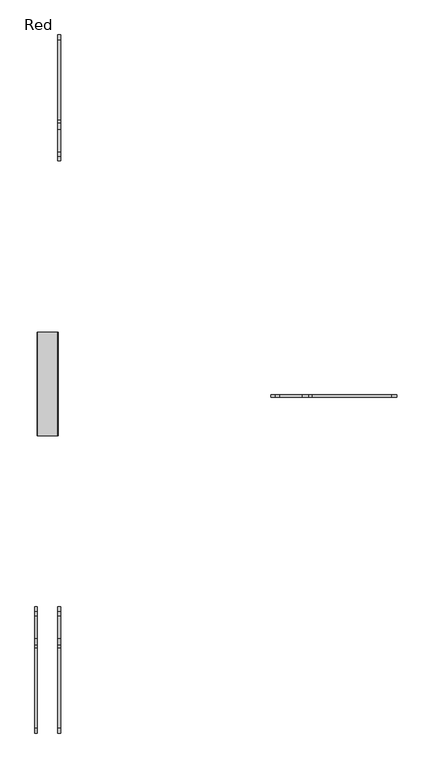
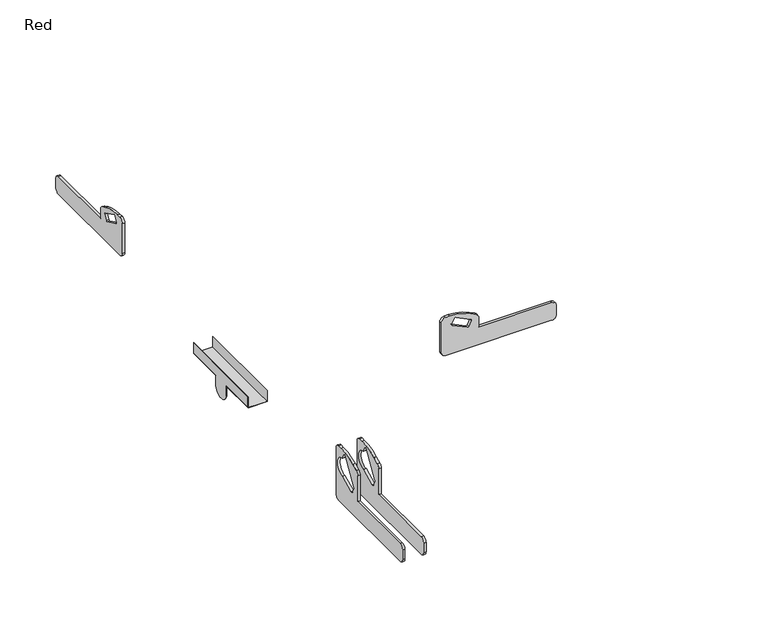
"""IFC4 building model written with IfcOpenShell, lengths in millimetres: furniture geometry, Red."""

from ifc_helpers import new_model, si_unit, point, frame, frame_2d, origin, place, context, project, spatial, polyline, circle_curve, trimmed, segment, composite_curve, outline, extrude, source, transform, mapped, element, save
from ifc_brep_helpers import plane_surface, cylinder_surface, advanced_brep


def red_224c0ef7(model_context):
    return source(origin(), model_context, "Body", "SolidModel", [
        extrude(outline(composite_curve([segment(polyline([(-563.0, 0.0), (-21.9999999, 0.0)]), True, "CONTINUOUS"), segment(trimmed(circle_curve(frame_2d((-21.9999999, -22.0)), 22.0), [point((-21.9999999, 0.0))], [point((0.0, -22.0))], False, "CARTESIAN"), True, "CONTINUOUS"), segment(polyline([(0.0, -22.0), (0.0, -73.0)]), True, "CONTINUOUS"), segment(trimmed(circle_curve(frame_2d((-21.9999999, -73.0)), 22.0), [point((0.0, -73.0))], [point((-21.9999999, -95.0))], False, "CARTESIAN"), True, "CONTINUOUS"), segment(polyline([(-21.9999999, -95.0), (-394.9999999, -95.0), (-394.9999999, -146.2528743)]), True, "CONTINUOUS"), segment(trimmed(circle_curve(frame_2d((-416.9999999, -146.2528743)), 22.0), [point((-394.9999999, -146.2528743))], [point((-407.3558347, -166.0263433))], False, "CARTESIAN"), True, "CONTINUOUS"), segment(polyline([(-407.3558347, -166.0263433), (-437.9242629, -180.9355618)]), True, "CONTINUOUS"), segment(trimmed(circle_curve(frame_2d((-542.1587961, 32.7769022)), 237.7769022), [point((-437.9242629, -180.9355618))], [point((-542.1587961, -205.0))], False, "CARTESIAN"), True, "CONTINUOUS"), segment(polyline([(-542.1587961, -205.0), (-563.0, -205.0)]), True, "CONTINUOUS"), segment(trimmed(circle_curve(frame_2d((-563.0, -183.0)), 22.0), [point((-563.0, -205.0))], [point((-585.0, -183.0))], False, "CARTESIAN"), True, "CONTINUOUS"), segment(polyline([(-585.0, -183.0), (-585.0, -22.0)]), True, "CONTINUOUS"), segment(trimmed(circle_curve(frame_2d((-563.0, -22.0)), 22.0), [point((-585.0, -22.0))], [point((-563.0, 0.0))], False, "CARTESIAN"), True, "CONTINUOUS")], self_intersect=False), holes=[composite_curve([segment(trimmed(circle_curve(frame_2d((-449.9611026, -117.464969)), 5.0), [point((-445.4671324, -115.2731132))], [point((-452.1529583, -112.9709987))], True, "CARTESIAN"), True, "CONTINUOUS"), segment(polyline([(-452.1529583, -112.9709987), (-528.5504522, -150.2325462)]), True, "CONTINUOUS"), segment(trimmed(circle_curve(frame_2d((-526.3585965, -154.7265164)), 5.0), [point((-528.5504522, -150.2325462))], [point((-530.8525667, -156.9183722))], True, "CARTESIAN"), True, "CONTINUOUS"), segment(polyline([(-530.8525667, -156.9183722), (-517.7014323, -183.8821936)]), True, "CONTINUOUS"), segment(trimmed(circle_curve(frame_2d((-513.2074621, -181.6903378)), 5.0), [point((-517.7014323, -183.8821936))], [point((-511.0156064, -186.1843081))], True, "CARTESIAN"), True, "CONTINUOUS"), segment(polyline([(-511.0156064, -186.1843081), (-434.6181125, -148.9227606)]), True, "CONTINUOUS"), segment(trimmed(circle_curve(frame_2d((-436.8099682, -144.4287903)), 5.0), [point((-434.6181125, -148.9227606))], [point((-432.315998, -142.2369346))], True, "CARTESIAN"), True, "CONTINUOUS"), segment(polyline([(-432.315998, -142.2369346), (-445.4671324, -115.2731132)]), True, "CONTINUOUS")], self_intersect=False)]), frame((2217.3022578, 882.8313341, 540.0), z_axis=(-4.035257397550418e-05, 0.9999999991858349, 0.0), x_axis=(0.9999999991858349, 4.035257397550418e-05, 0.0)), (0.0, 0.0, 1.0), 12.0),
        extrude(outline(composite_curve([segment(polyline([(-111.7787309, 755.0), (-652.7787309, 755.0)]), True, "CONTINUOUS"), segment(trimmed(circle_curve(frame_2d((-652.7787309, 777.0)), 22.0), [point((-652.7787309, 755.0))], [point((-674.7787309, 777.0))], False, "CARTESIAN"), True, "CONTINUOUS"), segment(polyline([(-674.7787309, 777.0), (-674.7787309, 828.0)]), True, "CONTINUOUS"), segment(trimmed(circle_curve(frame_2d((-652.7787309, 828.0)), 22.0), [point((-674.7787309, 828.0))], [point((-652.7787309, 850.0))], False, "CARTESIAN"), True, "CONTINUOUS"), segment(polyline([(-652.7787309, 850.0), (-279.7787309, 850.0), (-279.7787309, 989.1962282)]), True, "CONTINUOUS"), segment(trimmed(circle_curve(frame_2d((-257.7787309, 989.1962282)), 22.0), [point((-279.7787309, 989.1962282))], [point((-267.4228961, 1008.9696972))], False, "CARTESIAN"), True, "CONTINUOUS"), segment(polyline([(-267.4228961, 1008.9696972), (-236.854468, 1023.8789158)]), True, "CONTINUOUS"), segment(trimmed(circle_curve(frame_2d((-132.6199347, 810.1664518)), 237.7769022), [point((-236.854468, 1023.8789158))], [point((-132.6199347, 1047.943354))], False, "CARTESIAN"), True, "CONTINUOUS"), segment(polyline([(-132.6199347, 1047.943354), (-111.7787309, 1047.943354)]), True, "CONTINUOUS"), segment(trimmed(circle_curve(frame_2d((-111.7787309, 1025.943354)), 22.0), [point((-111.7787309, 1047.943354))], [point((-89.7787309, 1025.943354))], False, "CARTESIAN"), True, "CONTINUOUS"), segment(polyline([(-89.7787309, 1025.943354), (-89.7787309, 777.0)]), True, "CONTINUOUS"), segment(trimmed(circle_curve(frame_2d((-111.7787309, 777.0)), 22.0), [point((-89.7787309, 777.0))], [point((-111.7787309, 755.0))], False, "CARTESIAN"), True, "CONTINUOUS")], self_intersect=False), holes=[composite_curve([segment(trimmed(circle_curve(frame_2d((-224.8176283, 872.464969)), 5.0), [point((-229.3115985, 870.2731132))], [point((-222.6257725, 867.9709987))], True, "CARTESIAN"), True, "CONTINUOUS"), segment(polyline([(-222.6257725, 867.9709987), (-146.2282786, 905.2325462)]), True, "CONTINUOUS"), segment(trimmed(circle_curve(frame_2d((-148.4201343, 952.6284617)), 47.4465703), [point((-146.2282786, 905.2325462))], [point((-143.9261641, 999.8617261))], True, "CARTESIAN"), True, "CONTINUOUS"), segment(polyline([(-143.9261641, 999.8617261), (-157.0772985, 1026.8255475)]), True, "CONTINUOUS"), segment(trimmed(circle_curve(frame_2d((-161.5712687, 1024.6336918)), 5.0), [point((-157.0772985, 1026.8255475))], [point((-163.7631245, 1029.127662))], True, "CARTESIAN"), True, "CONTINUOUS"), segment(polyline([(-163.7631245, 1029.127662), (-240.1606184, 903.9227606)]), True, "CONTINUOUS"), segment(trimmed(circle_curve(frame_2d((-237.9687627, 899.4287903)), 5.0), [point((-240.1606184, 903.9227606))], [point((-242.4627329, 897.2369346))], True, "CARTESIAN"), True, "CONTINUOUS"), segment(polyline([(-242.4627329, 897.2369346), (-229.3115985, 870.2731132)]), True, "CONTINUOUS")], self_intersect=False)]), frame((536.5, 0.0, 0.0), z_axis=(1.0, 0.0, 0.0), x_axis=(0.0, 1.0, 0.0)), (0.0, 0.0, 1.0), 12.0),
        extrude(outline(composite_curve([segment(polyline([(-111.7787309, 755.0), (-652.7787309, 755.0)]), True, "CONTINUOUS"), segment(trimmed(circle_curve(frame_2d((-652.7787309, 777.0)), 22.0), [point((-652.7787309, 755.0))], [point((-674.7787309, 777.0))], False, "CARTESIAN"), True, "CONTINUOUS"), segment(polyline([(-674.7787309, 777.0), (-674.7787309, 828.0)]), True, "CONTINUOUS"), segment(trimmed(circle_curve(frame_2d((-652.7787309, 828.0)), 22.0), [point((-674.7787309, 828.0))], [point((-652.7787309, 850.0))], False, "CARTESIAN"), True, "CONTINUOUS"), segment(polyline([(-652.7787309, 850.0), (-279.7787309, 850.0), (-279.7787309, 989.1962282)]), True, "CONTINUOUS"), segment(trimmed(circle_curve(frame_2d((-257.7787309, 989.1962282)), 22.0), [point((-279.7787309, 989.1962282))], [point((-267.4228961, 1008.9696972))], False, "CARTESIAN"), True, "CONTINUOUS"), segment(polyline([(-267.4228961, 1008.9696972), (-236.854468, 1023.8789158)]), True, "CONTINUOUS"), segment(trimmed(circle_curve(frame_2d((-132.6199347, 810.1664518)), 237.7769022), [point((-236.854468, 1023.8789158))], [point((-132.6199347, 1047.943354))], False, "CARTESIAN"), True, "CONTINUOUS"), segment(polyline([(-132.6199347, 1047.943354), (-111.7787309, 1047.943354)]), True, "CONTINUOUS"), segment(trimmed(circle_curve(frame_2d((-111.7787309, 1025.943354)), 22.0), [point((-111.7787309, 1047.943354))], [point((-89.7787309, 1025.943354))], False, "CARTESIAN"), True, "CONTINUOUS"), segment(polyline([(-89.7787309, 1025.943354), (-89.7787309, 777.0)]), True, "CONTINUOUS"), segment(trimmed(circle_curve(frame_2d((-111.7787309, 777.0)), 22.0), [point((-89.7787309, 777.0))], [point((-111.7787309, 755.0))], False, "CARTESIAN"), True, "CONTINUOUS")], self_intersect=False), holes=[composite_curve([segment(trimmed(circle_curve(frame_2d((-224.8176283, 872.464969)), 5.0), [point((-229.3115985, 870.2731132))], [point((-222.6257725, 867.9709987))], True, "CARTESIAN"), True, "CONTINUOUS"), segment(polyline([(-222.6257725, 867.9709987), (-146.2282786, 905.2325462)]), True, "CONTINUOUS"), segment(trimmed(circle_curve(frame_2d((-148.4201343, 952.6284617)), 47.4465703), [point((-146.2282786, 905.2325462))], [point((-143.9261641, 999.8617261))], True, "CARTESIAN"), True, "CONTINUOUS"), segment(polyline([(-143.9261641, 999.8617261), (-157.0772985, 1026.8255475)]), True, "CONTINUOUS"), segment(trimmed(circle_curve(frame_2d((-161.5712687, 1024.6336918)), 5.0), [point((-157.0772985, 1026.8255475))], [point((-163.7631245, 1029.127662))], True, "CARTESIAN"), True, "CONTINUOUS"), segment(polyline([(-163.7631245, 1029.127662), (-240.1606184, 903.9227606)]), True, "CONTINUOUS"), segment(trimmed(circle_curve(frame_2d((-237.9687627, 899.4287903)), 5.0), [point((-240.1606184, 903.9227606))], [point((-242.4627329, 897.2369346))], True, "CARTESIAN"), True, "CONTINUOUS"), segment(polyline([(-242.4627329, 897.2369346), (-229.3115985, 870.2731132)]), True, "CONTINUOUS")], self_intersect=False)]), frame((643.5, 0.0, 0.0), z_axis=(1.0, 0.0, 0.0), x_axis=(0.0, 1.0, 0.0)), (0.0, 0.0, 1.0), 12.0),
        extrude(outline(composite_curve([segment(trimmed(circle_curve(frame_2d((2001.7787309, 777.0)), 22.0), [point((2001.7787309, 755.0))], [point((1979.7787309, 777.0))], False, "CARTESIAN"), True, "CONTINUOUS"), segment(polyline([(1979.7787309, 777.0), (1979.7787309, 938.0)]), True, "CONTINUOUS"), segment(trimmed(circle_curve(frame_2d((2001.7787309, 938.0)), 22.0), [point((1979.7787309, 938.0))], [point((2001.7787309, 960.0))], False, "CARTESIAN"), True, "CONTINUOUS"), segment(polyline([(2001.7787309, 960.0), (2022.6199347, 960.0)]), True, "CONTINUOUS"), segment(trimmed(circle_curve(frame_2d((2022.6199347, 722.2230978)), 237.7769022), [point((2022.6199347, 960.0))], [point((2126.854468, 935.9355618))], False, "CARTESIAN"), True, "CONTINUOUS"), segment(polyline([(2126.854468, 935.9355618), (2157.4228961, 921.0263433)]), True, "CONTINUOUS"), segment(trimmed(circle_curve(frame_2d((2147.7787309, 901.2528743)), 22.0), [point((2157.4228961, 921.0263433))], [point((2169.7787309, 901.2528743))], False, "CARTESIAN"), True, "CONTINUOUS"), segment(polyline([(2169.7787309, 901.2528743), (2169.7787309, 850.0), (2542.7787309, 850.0)]), True, "CONTINUOUS"), segment(trimmed(circle_curve(frame_2d((2542.7787309, 828.0)), 22.0), [point((2542.7787309, 850.0))], [point((2564.7787309, 828.0))], False, "CARTESIAN"), True, "CONTINUOUS"), segment(polyline([(2564.7787309, 828.0), (2564.7787309, 777.0)]), True, "CONTINUOUS"), segment(trimmed(circle_curve(frame_2d((2542.7787309, 777.0)), 22.0), [point((2564.7787309, 777.0))], [point((2542.7787309, 755.0))], False, "CARTESIAN"), True, "CONTINUOUS"), segment(polyline([(2542.7787309, 755.0), (2001.7787309, 755.0)]), True, "CONTINUOUS")], self_intersect=False), holes=[composite_curve([segment(polyline([(2119.3115985, 870.2731132), (2132.4627329, 897.2369346)]), True, "CONTINUOUS"), segment(trimmed(circle_curve(frame_2d((2127.9687627, 899.4287903)), 5.0), [point((2132.4627329, 897.2369346))], [point((2130.1606184, 903.9227606))], True, "CARTESIAN"), True, "CONTINUOUS"), segment(polyline([(2130.1606184, 903.9227606), (2053.7631245, 941.1843081)]), True, "CONTINUOUS"), segment(trimmed(circle_curve(frame_2d((2051.5712687, 936.6903378)), 5.0), [point((2053.7631245, 941.1843081))], [point((2047.0772985, 938.8821936))], True, "CARTESIAN"), True, "CONTINUOUS"), segment(polyline([(2047.0772985, 938.8821936), (2033.9261641, 911.9183722)]), True, "CONTINUOUS"), segment(trimmed(circle_curve(frame_2d((2038.4201343, 909.7265164)), 5.0), [point((2033.9261641, 911.9183722))], [point((2036.2282786, 905.2325462))], True, "CARTESIAN"), True, "CONTINUOUS"), segment(polyline([(2036.2282786, 905.2325462), (2112.6257725, 867.9709987)]), True, "CONTINUOUS"), segment(trimmed(circle_curve(frame_2d((2114.8176283, 872.464969)), 5.0), [point((2112.6257725, 867.9709987))], [point((2119.3115985, 870.2731132))], True, "CARTESIAN"), True, "CONTINUOUS")], self_intersect=False)]), frame((643.5, 0.0, 0.0), z_axis=(1.0, 0.0, 0.0), x_axis=(0.0, 1.0, 0.0)), (0.0, 0.0, 1.0), 12.0),
        advanced_brep(
        [(548.5, 1184.8352125, 755.0), (643.5, 1184.8352125, 755.0), (643.5, 1184.8352125, 812.5475512), (645.5, 1184.8352125, 812.5475512), (645.5, 1184.8352125, 754.988546), (643.511454, 1184.8352125, 753.0), (548.5, 1184.8352125, 753.0), (546.5, 1184.8352125, 755.0), (546.5, 1184.8352125, 812.5475512), (548.5, 1184.8352125, 812.5475512), (548.5, 705.3933041, 755.0), (548.5, 705.3933041, 812.5475512), (546.5, 705.3933041, 812.5475512), (546.5, 705.3933041, 755.0), (548.5, 705.3933041, 753.0), (643.511454, 705.3933041, 753.0), (645.5, 705.3933041, 754.988546), (645.5, 705.3933041, 812.5475512), (643.5, 705.3933041, 812.5475512), (643.5, 705.3933041, 755.0), (548.5, 989.8131191, 755.0), (548.5, 894.8079055, 755.0), (643.5, 894.8079055, 755.0), (643.5, 989.8131191, 755.0), (645.5, 894.8079055, 754.988546), (645.5, 894.8079055, 710.0), (645.5, 989.8131191, 710.0), (645.5, 989.8131191, 755.0), (643.511454, 989.8131191, 753.0), (643.511454, 894.8079055, 753.0), (548.5, 894.8079055, 753.0), (548.5, 989.8131191, 753.0), (546.5, 989.8131191, 755.0), (546.5, 894.8079055, 755.0), (546.5, 989.8131191, 710.0), (546.5, 894.8079055, 710.0), (643.5, 989.8131191, 710.0), (643.5, 894.8079055, 710.0), (548.5, 894.8079055, 710.0), (548.5, 989.8131191, 710.0)],
        [
            (0, 1),
            (1, 2),
            (2, 3),
            (3, 4),
            (4, 5, circle_curve(frame((643.511454, 1184.8352125, 754.988546), z_axis=(0.0, 1.0, 0.0), x_axis=(1.0, 0.0, 0.0)), 1.988546)),
            (5, 6),
            (6, 7, circle_curve(frame((548.5, 1184.8352125, 755.0), z_axis=(0.0, 1.0, 0.0), x_axis=(1.0, 0.0, 0.0)), 2.0)),
            (7, 8),
            (8, 9),
            (9, 0),
            (10, 11),
            (11, 12),
            (12, 13),
            (13, 14, circle_curve(frame((548.5, 705.3933041, 755.0), z_axis=(0.0, -1.0, 0.0), x_axis=(1.0, 0.0, 0.0)), 2.0)),
            (14, 15),
            (15, 16, circle_curve(frame((643.511454, 705.3933041, 754.988546), z_axis=(0.0, -1.0, 0.0), x_axis=(1.0, 0.0, 0.0)), 1.988546)),
            (16, 17),
            (17, 18),
            (18, 19),
            (19, 10),
            (0, 20),
            (20, 21),
            (21, 10),
            (19, 22),
            (22, 23),
            (23, 1),
            (18, 2),
            (17, 3),
            (16, 24),
            (24, 25),
            (25, 26, circle_curve(frame((645.5, 942.3105123, 710.0), z_axis=(1.0, 0.0, 0.0), x_axis=(0.0, -1.0, 0.0)), 47.5026068)),
            (26, 27),
            (27, 4),
            (27, 28, circle_curve(frame((643.511454, 989.8131191, 754.988546), z_axis=(0.0, 1.0, 0.0), x_axis=(1.0, 0.0, 0.0)), 1.988546)),
            (28, 5),
            (15, 29),
            (29, 24, circle_curve(frame((643.511454, 894.8079055, 754.988546), z_axis=(0.0, -1.0, 0.0), x_axis=(1.0, 0.0, 0.0)), 1.988546)),
            (28, 29),
            (14, 30),
            (30, 31),
            (31, 6),
            (31, 32, circle_curve(frame((548.5, 989.8131191, 755.0), z_axis=(0.0, 1.0, 0.0), x_axis=(1.0, 0.0, 0.0)), 2.0)),
            (32, 7),
            (13, 33),
            (33, 30, circle_curve(frame((548.5, 894.8079055, 755.0), z_axis=(0.0, -1.0, 0.0), x_axis=(1.0, 0.0, 0.0)), 2.0)),
            (32, 34),
            (34, 35, circle_curve(frame((546.5, 942.3105123, 710.0), z_axis=(-1.0, 0.0, 0.0), x_axis=(0.0, -1.0, 0.0)), 47.5026068)),
            (35, 33),
            (12, 8),
            (11, 9),
            (36, 37, circle_curve(frame((643.5, 942.3105123, 710.0), z_axis=(-1.0, 0.0, 0.0), x_axis=(0.0, -1.0, 0.0)), 47.5026068)),
            (37, 29),
            (28, 36),
            (26, 36),
            (37, 25),
            (38, 39, circle_curve(frame((548.5, 942.3105123, 710.0), z_axis=(1.0, 0.0, 0.0), x_axis=(0.0, -1.0, 0.0)), 47.5026068)),
            (39, 31),
            (30, 38),
            (39, 34),
            (35, 38),
        ],
        [
            plane_surface(frame((638.5, 1184.8352125, 755.0), z_axis=(0.0, 1.0, 0.0), x_axis=(1.0, 0.0, 0.0))),
            plane_surface(frame((638.5, 705.3933041, 755.0), z_axis=(0.0, -1.0, 0.0), x_axis=(-1.0, 0.0, 0.0))),
            plane_surface(frame((548.5, 1184.8352125, 755.0), z_axis=(0.0, 0.0, 1.0), x_axis=(0.0, -1.0, 0.0))),
            plane_surface(frame((643.5, 1184.8352125, 755.0), z_axis=(-1.0, 0.0, 0.0), x_axis=(0.0, -1.0, 0.0))),
            plane_surface(frame((643.5, 1184.8352125, 812.5475512), z_axis=(0.0, 0.0, 1.0), x_axis=(0.0, -1.0, 0.0))),
            plane_surface(frame((645.5, 1184.8352125, 812.5475512), z_axis=(1.0, 0.0, 0.0), x_axis=(0.0, -1.0, 0.0))),
            cylinder_surface(frame((643.511454, 705.3933041, 754.988546), z_axis=(0.0, 1.0, 0.0), x_axis=(1.0, 0.0, 0.0)), 1.988546),
            plane_surface(frame((643.511454, 1184.8352125, 753.0), z_axis=(0.0, 0.0, -1.0), x_axis=(0.0, -1.0, 0.0))),
            cylinder_surface(frame((548.5, 705.3933041, 755.0), z_axis=(0.0, 1.0, 0.0), x_axis=(1.0, 0.0, 0.0)), 2.0),
            plane_surface(frame((546.5, 1184.8352125, 755.0), z_axis=(-1.0, 0.0, 0.0), x_axis=(0.0, -1.0, 0.0))),
            plane_surface(frame((546.5, 1184.8352125, 812.5475512), z_axis=(0.0, 0.0, 1.0), x_axis=(0.0, -1.0, 0.0))),
            plane_surface(frame((548.5, 1184.8352125, 812.5475512), z_axis=(1.0, 0.0, 0.0), x_axis=(0.0, -1.0, 0.0))),
            plane_surface(frame((643.5, 989.8131191, 755.0), z_axis=(-1.0, 0.0, 0.0), x_axis=(0.0, 0.0, -1.0))),
            plane_surface(frame((645.5, 989.8131191, 710.0), z_axis=(0.0, 1.0, 0.0), x_axis=(-1.0, 0.0, 0.0))),
            plane_surface(frame((645.5, 894.8079055, 755.0), z_axis=(0.0, -1.0, 0.0), x_axis=(-1.0, 0.0, 0.0))),
            cylinder_surface(frame((643.5, 942.3105123, 710.0), z_axis=(1.0, 0.0, 0.0), x_axis=(0.0, -1.0, 0.0)), 47.5026068),
            plane_surface(frame((548.5, 894.8079055, 710.0), z_axis=(1.0, 0.0, 0.0), x_axis=(0.0, 0.0, -1.0))),
            plane_surface(frame((546.5, 989.8131191, 755.0), z_axis=(0.0, 1.0, 0.0), x_axis=(1.0, 0.0, 0.0))),
            plane_surface(frame((546.5, 894.8079055, 710.0), z_axis=(0.0, -1.0, 0.0), x_axis=(1.0, 0.0, 0.0))),
            cylinder_surface(frame((548.5, 942.3105123, 710.0), z_axis=(-1.0, 0.0, 0.0), x_axis=(0.0, -1.0, 0.0)), 47.5026068),
        ],
        [
            (0, [[1, 2, 3, 4, 5, 6, 7, 8, 9, 10]]),
            (1, [[11, 12, 13, 14, 15, 16, 17, 18, 19, 20]]),
            (2, [[-1, 21, 22, 23, -20, 24, 25, 26]]),
            (3, [[-2, -26, -25, -24, -19, 27]]),
            (4, [[-3, -27, -18, 28]]),
            (5, [[-4, -28, -17, 29, 30, 31, 32, 33]]),
            (6, [[-5, -33, 34, 35]]),
            (6, [[-16, 36, 37, -29]]),
            (7, [[-6, -35, 38, -36, -15, 39, 40, 41]]),
            (8, [[-7, -41, 42, 43]]),
            (8, [[-14, 44, 45, -39]]),
            (9, [[-8, -43, 46, 47, 48, -44, -13, 49]]),
            (10, [[-9, -49, -12, 50]]),
            (11, [[-10, -50, -11, -23, -22, -21]]),
            (12, [[51, 52, -38, 53]]),
            (13, [[-32, 54, -53, -34]]),
            (14, [[-30, -37, -52, 55]]),
            (15, [[-31, -55, -51, -54]]),
            (16, [[56, 57, -40, 58]]),
            (17, [[-46, -42, -57, 59]]),
            (18, [[-48, 60, -58, -45]]),
            (19, [[-47, -59, -56, -60]]),
        ],
    ),
    ])


if __name__ == "__main__":
    model = new_model("IFC4")
    model_context = context("Model", 3, world=origin())
    ifc_project = project(units=[si_unit("LENGTHUNIT", "METRE", prefix="MILLI")], contexts=[model_context])
    site = spatial("IfcSite", under=ifc_project)
    building = spatial("IfcBuilding", under=site)
    placement = place(None, origin())
    red_shape = red_224c0ef7(model_context)
    element("IfcFurniture", 1, ObjectType="Red", at=placement, inside=building, context=model_context, shape_type="MappedRepresentation", body=[
        mapped(red_shape, transform((0.0, 0.0, 0.0), x_axis=(1.0, 0.0, 0.0), y_axis=(0.0, 1.0, 0.0), z_axis=(0.0, 0.0, 1.0))),
    ])
    save(model, "model.ifc")
